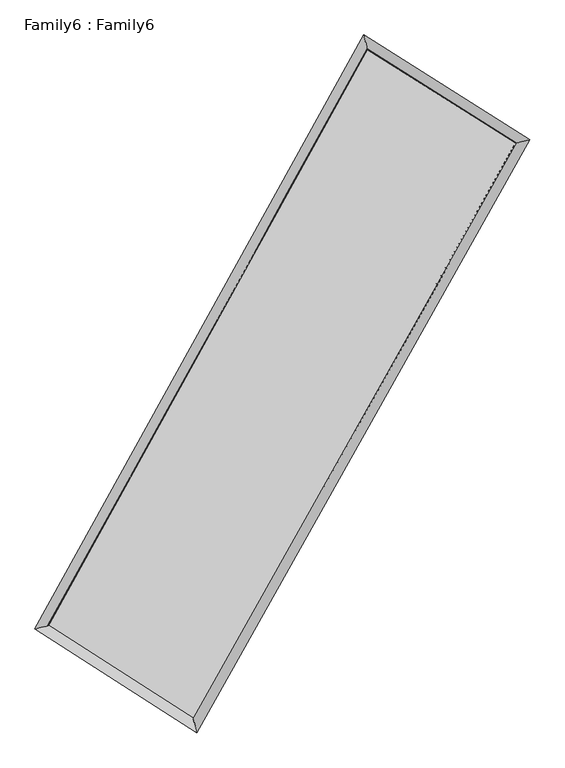
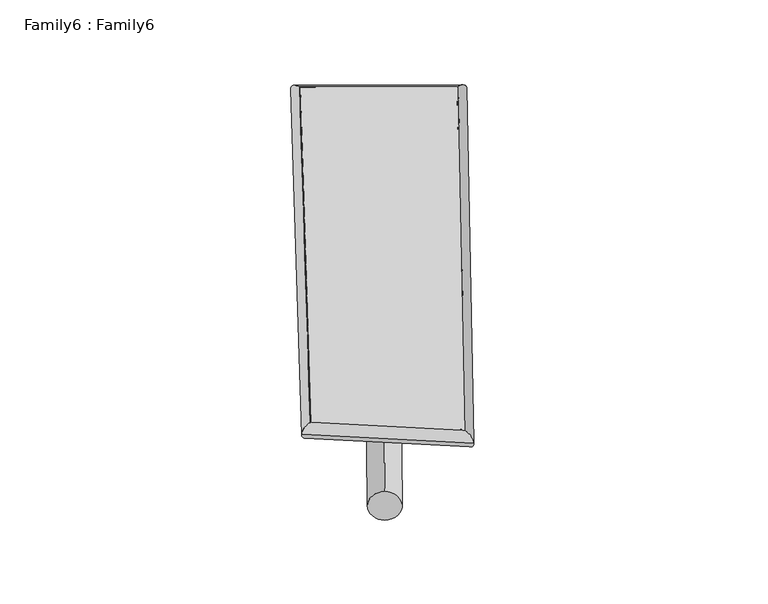
"""IFC4 building model written with IfcOpenShell, lengths in millimetres: plate geometry, Family6 : Family6."""

from ifc_helpers import new_model, si_unit, point, frame, origin, origin_2d, place, context, project, spatial, circle_curve, ellipse_curve, trimmed, segment, composite_curve, outline, extrude, source, transform, mapped, element, save
from ifc_brep_helpers import plane_surface, cylinder_surface, spline_surface, advanced_brep


def family6_family6_655c3e48(model_context):
    return source(origin(), model_context, "Body", "SolidModel", [
        extrude(outline(composite_curve([segment(trimmed(circle_curve(origin_2d(), 76.2), [point((-75.4341514, -10.7763074))], [point((75.4341514, 10.7763074))], False, "CARTESIAN"), True, "CONTINUOUS"), segment(trimmed(circle_curve(origin_2d(), 76.2), [point((75.4341514, 10.7763074))], [point((-75.4341514, -10.7763074))], False, "CARTESIAN"), True, "CONTINUOUS")], self_intersect=False)), frame((9144.0, 9144.0, 0.0), z_axis=(0.6702457141597516, 0.68558184889307, 0.28416229714521335), x_axis=(-0.6787348580030794, 0.7211267040476751, -0.13890741247635646)), (0.0, 0.0, 1.0), 5504.6340455),
        extrude(outline(composite_curve([segment(trimmed(circle_curve(origin_2d(), 76.2), [point((-53.8815368, 53.8815367))], [point((53.8815368, -53.8815367))], False, "CARTESIAN"), True, "CONTINUOUS"), segment(trimmed(circle_curve(origin_2d(), 76.2), [point((53.8815368, -53.8815367))], [point((-53.8815368, 53.8815367))], False, "CARTESIAN"), True, "CONTINUOUS")], self_intersect=False)), frame((9144.0, 9144.0, 0.0), z_axis=(-0.6657791351349559, -0.6895317687876308, 0.28510363563369645), x_axis=(0.6507060906378672, -0.34957842803807826, 0.674074555414466)), (0.0, 0.0, 1.0), 5488.6138292),
        extrude(outline(composite_curve([segment(trimmed(circle_curve(origin_2d(), 76.2), [point((-53.8815368, -53.8815367))], [point((53.8815368, 53.8815367))], False, "CARTESIAN"), True, "CONTINUOUS"), segment(trimmed(circle_curve(origin_2d(), 76.2), [point((53.8815368, 53.8815367))], [point((-53.8815368, -53.8815367))], False, "CARTESIAN"), True, "CONTINUOUS")], self_intersect=False)), frame((9144.0, 9144.0, 0.0), z_axis=(0.23972381704651227, 0.9344432176790992, 0.26334077632258546), x_axis=(-0.8447351735495349, 0.33445451394999415, -0.41780697058176347)), (0.0, 0.0, 1.0), 5621.6174501),
        extrude(outline(composite_curve([segment(trimmed(circle_curve(origin_2d(), 76.2), [point((-75.4341514, 10.7763073))], [point((75.4341514, -10.7763073))], False, "CARTESIAN"), True, "CONTINUOUS"), segment(trimmed(circle_curve(origin_2d(), 76.2), [point((75.4341514, -10.7763073))], [point((-75.4341514, 10.7763073))], False, "CARTESIAN"), True, "CONTINUOUS")], self_intersect=False)), frame((9144.0, 9144.0, 0.0), z_axis=(-0.2453601859638175, -0.9330204048546495, 0.2631944210439633), x_axis=(0.8881129901312842, -0.10749118968682826, 0.4468791345540534)), (0.0, 0.0, 1.0), 5621.6748206),
        advanced_brep(
        [(5287.6360759, 5308.5372115, 1558.9031751), (5287.4703978, 5308.2667317, 1572.7676931), (5691.9547875, 5410.3155848, 1570.7443395), (10546.6599175, 14182.1181709, 1488.8050777), (10436.6112688, 14612.0464264, 1471.9971293), (5692.1204656, 5410.5860646, 1556.8798215), (12629.6939811, 12866.3755909, 1563.3520193), (13037.220773, 12969.3787819, 1565.0668914), (7710.9768803, 4114.393659, 1481.2413017), (7818.3527609, 3683.3317069, 1477.9455976)],
        [
            (0, 1, ellipse_curve(frame((5489.7954317, 5359.4263981, 1564.8237573), z_axis=(-0.24452173027609403, 0.9695119282887648, 0.015992008272455546), x_axis=(-0.9691139600648757, -0.24490002600657745, 0.029019125923296904)), 208.8515165, 152.4)),
            (1, 2, ellipse_curve(frame((5489.7954317, 5359.4263981, 1564.8237573), z_axis=(-0.24452173027609403, 0.9695119282887648, 0.015992008272455546), x_axis=(-0.9691139600648757, -0.24490002600657745, 0.029019125923296904)), 208.8515165, 152.4)),
            (2, 3),
            (3, 4, ellipse_curve(frame((10491.6355931, 14397.0822986, 1480.4011035), z_axis=(-0.9684899896816956, -0.24853283511394494, -0.01608010437073824), x_axis=(0.24806688649638636, -0.9683828892799922, 0.026408323947643364)), 222.0701126, 152.4)),
            (4, 0),
            (2, 5, ellipse_curve(frame((5489.7954317, 5359.4263981, 1564.8237573), z_axis=(-0.24452173027609403, 0.9695119282887648, 0.015992008272455546), x_axis=(-0.9691139600648757, -0.24490002600657745, 0.029019125923296904)), 208.8515165, 152.4)),
            (5, 0, ellipse_curve(frame((5489.7954317, 5359.4263981, 1564.8237573), z_axis=(-0.24452173027609403, 0.9695119282887648, 0.015992008272455546), x_axis=(-0.9691139600648757, -0.24490002600657745, 0.029019125923296904)), 208.8515165, 152.4)),
            (4, 3, ellipse_curve(frame((10491.6355931, 14397.0822986, 1480.4011035), z_axis=(-0.9684899896816956, -0.24853283511394494, -0.01608010437073824), x_axis=(0.24806688649638636, -0.9683828892799922, 0.026408323947643364)), 222.0701126, 152.4)),
            (3, 6),
            (6, 7, ellipse_curve(frame((12833.457377, 12917.8771864, 1564.2094553), z_axis=(-0.24495734200533908, 0.9694144092134152, -0.015218534984842446), x_axis=(-0.9690454724327715, -0.2453019463787368, -0.027889558267386157)), 210.2267542, 152.4)),
            (7, 4),
            (7, 6, ellipse_curve(frame((12833.457377, 12917.8771864, 1564.2094553), z_axis=(-0.24495734200533908, 0.9694144092134152, -0.015218534984842446), x_axis=(-0.9690454724327715, -0.2453019463787368, -0.027889558267386157)), 210.2267542, 152.4)),
            (6, 8),
            (8, 9, ellipse_curve(frame((7764.6648206, 3898.862683, 1479.5934497), z_axis=(0.9701776490624522, 0.2417975688196056, -0.017007791525696207), x_axis=(-0.24129241537272092, 0.9700691489279132, 0.027273000969318353)), 222.1724733, 152.4)),
            (9, 7),
            (9, 8, ellipse_curve(frame((7764.6648206, 3898.862683, 1479.5934497), z_axis=(0.9701776490624522, 0.2417975688196056, -0.017007791525696207), x_axis=(-0.24129241537272092, 0.9700691489279132, 0.027273000969318353)), 222.1724733, 152.4)),
            (8, 5),
            (1, 9),
        ],
        [
            cylinder_surface(frame((5489.7954317, 5359.4263981, 1564.8237573), z_axis=(-0.4842146445397401, -0.8749110723440089, 0.008172729232637201), x_axis=(-0.8741784348690277, 0.4833749584480459, -0.046483476153222465)), 152.4),
            cylinder_surface(frame((10491.6355931, 14397.0822986, 1480.4011035), z_axis=(-0.8450761159140999, 0.5337899405758371, -0.030243307550313885), x_axis=(0.5344824561988065, 0.8448639657699372, -0.023095093833656592)), 152.4),
            cylinder_surface(frame((12833.457377, 12917.8771864, 1564.2094553), z_axis=(0.48992152040845943, 0.8717281776523803, 0.008178516217738302), x_axis=(0.8717639136787555, -0.4899215204084594, -0.0021407120691558637)), 152.4),
            cylinder_surface(frame((7764.6648206, 3898.862683, 1479.5934497), z_axis=(0.8410721125894114, -0.5400043692506237, -0.03151162665780328), x_axis=(-0.5395349636785847, -0.8416598208657159, 0.02260019709293267)), 152.4),
        ],
        [
            (0, [[1, 2, 3, 4, 5]]),
            (0, [[6, 7, -5, 8, -3]]),
            (1, [[-4, 9, 10, 11]]),
            (1, [[-8, -11, 12, -9]]),
            (2, [[-10, 13, 14, 15]]),
            (2, [[-12, -15, 16, -13]]),
            (3, [[-14, 17, -6, -2, 18]]),
            (3, [[-16, -18, -1, -7, -17]]),
        ],
    ),
        extrude(outline(composite_curve([segment(trimmed(circle_curve(origin_2d(), 304.8), [point((0.0, 304.8))], [point((0.0, -304.8))], False, "CARTESIAN"), True, "CONTINUOUS"), segment(trimmed(circle_curve(origin_2d(), 304.8), [point((0.0, -304.8))], [point((0.0, 304.8))], False, "CARTESIAN"), True, "CONTINUOUS")], self_intersect=False)), frame((11710.2435431, 13646.9307258, -0.0517179), z_axis=(-0.49514086341740476, -0.8688127101249691, 9.978647524914147e-06), x_axis=(-0.8688127101782507, 0.49514086341740476, -2.643836979733267e-06)), (0.0, 0.0, 1.0), 10365.7109831),
        advanced_brep(
        [(5489.7954317, 5359.4263981, 1564.8237573), (7764.6648206, 3898.862683, 1479.5934497), (7764.6471123, 3898.8695283, 1631.9934485), (5489.7777234, 5359.4332435, 1717.2237561), (12833.457377, 12917.8771864, 1564.2094553), (12833.4396688, 12917.8840317, 1716.6094541), (10491.6355931, 14397.0822986, 1480.4011035), (10491.6178849, 14397.089144, 1632.8011023)],
        [
            (0, 1),
            (1, 2),
            (2, 3),
            (3, 0),
            (1, 4),
            (4, 5),
            (5, 2),
            (4, 6),
            (6, 7),
            (7, 5),
            (6, 0),
            (3, 7),
        ],
        [
            plane_surface(frame((6627.2301261, 4629.1445405, 1522.2086035), z_axis=(-0.5402733391215389, -0.8414895830670982, -2.4980480333456137e-05), x_axis=(0.8410721125894117, -0.5400043692506232, -0.03151162665780329))),
            plane_surface(frame((10299.0610988, 8408.3699347, 1521.9014525), z_axis=(0.8717568325410914, -0.48993878159906507, 0.0001233010438031418), x_axis=(0.4899215204084593, 0.8717281776523803, 0.00817851621773831))),
            plane_surface(frame((11662.5464851, 13657.4797425, 1522.3052794), z_axis=(0.5340336096184191, 0.8454632477040159, 2.4076965101838335e-05), x_axis=(-0.8450761159141001, 0.5337899405758371, -0.030243307550313896))),
            plane_surface(frame((7990.7155124, 9878.2543484, 1522.6124304), z_axis=(-0.8749407747598785, 0.4842299303341595, -0.00012341458120514225), x_axis=(-0.4842146445397404, -0.8749110723440086, 0.008172729232637194))),
            spline_surface(1, 1, [[(7764.6471123, 3898.8695283, 1631.9934485), (5489.7777234, 5359.4332435, 1717.2237561)], [(12833.4396688, 12917.8840317, 1716.6094541), (10491.6178849, 14397.089144, 1632.8011023)]], [2, 2], [2, 2], [0.0, 1.0], [0.0, 1.0]),
            spline_surface(1, 1, [[(10491.6355931, 14397.0822986, 1480.4011035), (5489.7954317, 5359.4263981, 1564.8237573)], [(12833.457377, 12917.8771864, 1564.2094553), (7764.6648206, 3898.862683, 1479.5934497)]], [2, 2], [2, 2], [0.0, 1.0], [0.0, 1.0]),
        ],
        [
            (0, [[1, 2, 3, 4]]),
            (1, [[5, 6, 7, -2]]),
            (2, [[8, 9, 10, -6]]),
            (3, [[11, -4, 12, -9]]),
            (4, [[-3, -7, -10, -12]]),
            (5, [[-11, -8, -5, -1]]),
        ],
    ),
    ])


if __name__ == "__main__":
    model = new_model("IFC4")
    model_context = context("Model", 3, world=origin())
    ifc_project = project(units=[si_unit("LENGTHUNIT", "METRE", prefix="MILLI")], contexts=[model_context])
    site = spatial("IfcSite", under=ifc_project)
    building = spatial("IfcBuilding", under=site)
    placement = place(None, origin())
    family6_family6_shape = family6_family6_655c3e48(model_context)
    element("IfcPlate", 1, ObjectType="Family6 : Family6", at=placement, inside=building, context=model_context, shape_type="MappedRepresentation", body=[
        mapped(family6_family6_shape, transform((0.0, 0.0, 0.0), x_axis=(1.0, 0.0, 0.0), y_axis=(0.0, 1.0, 0.0), z_axis=(0.0, 0.0, 1.0))),
    ])
    save(model, "model.ifc")
